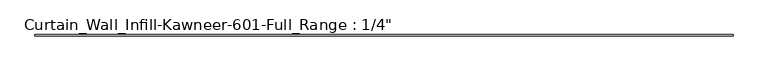
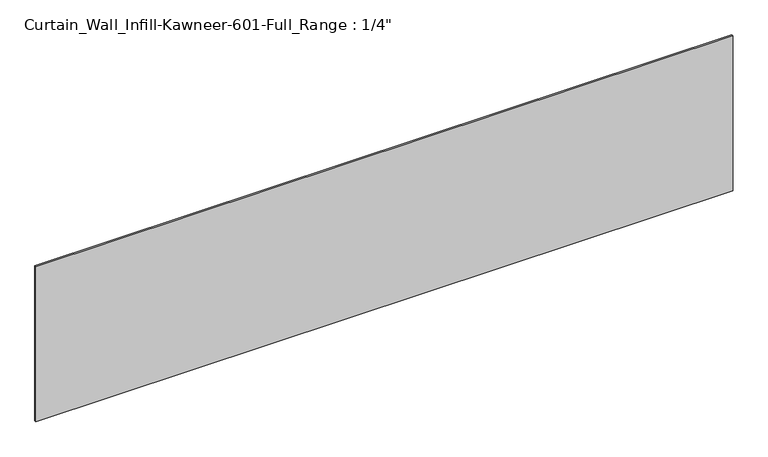
"""IFC4 building model written with IfcOpenShell, lengths in millimetres: plate geometry."""

from ifc_helpers import new_model, si_unit, frame, origin, place, context, project, spatial, polyline, outline, extrude, source, transform, mapped, element, save


def plate_87f52408(model_context):
    return source(origin(), model_context, "Body", "SweptSolid", [
        extrude(outline(polyline([(-1473.2, 0.0), (-1473.2, 6.35), (1473.2, 6.35), (1473.2, 0.0), (-1473.2, 0.0)])), frame((0.0, 0.0, -9.525), z_axis=(0.0, 0.0, 1.0), x_axis=(1.0, 0.0, 0.0)), (0.0, 0.0, 1.0), 692.15),
    ])


if __name__ == "__main__":
    model = new_model("IFC4")
    model_context = context("Model", 3, world=origin())
    ifc_project = project(units=[si_unit("LENGTHUNIT", "METRE", prefix="MILLI")], contexts=[model_context])
    site = spatial("IfcSite", under=ifc_project)
    building = spatial("IfcBuilding", under=site)
    placement = place(None, origin())
    plate_shape = plate_87f52408(model_context)
    element("IfcPlate", 1, ObjectType="Curtain_Wall_Infill-Kawneer-601-Full_Range : 1/4\"", at=placement, inside=building, context=model_context, shape_type="MappedRepresentation", body=[
        mapped(plate_shape, transform((0.0, 0.0, 0.0), x_axis=(1.0, 0.0, 0.0), y_axis=(0.0, 1.0, 0.0), z_axis=(0.0, 0.0, 1.0))),
    ])
    save(model, "model.ifc")
